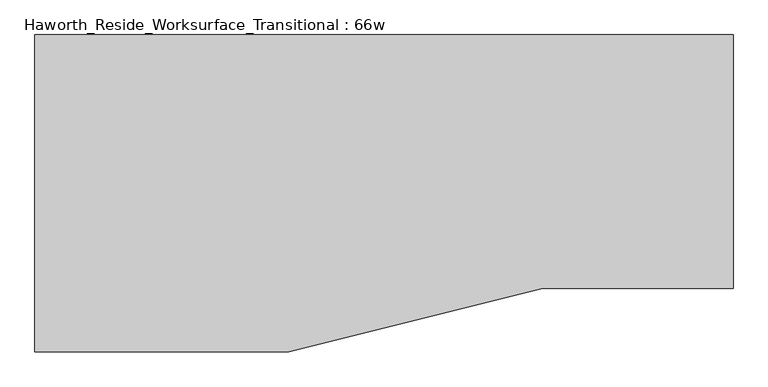
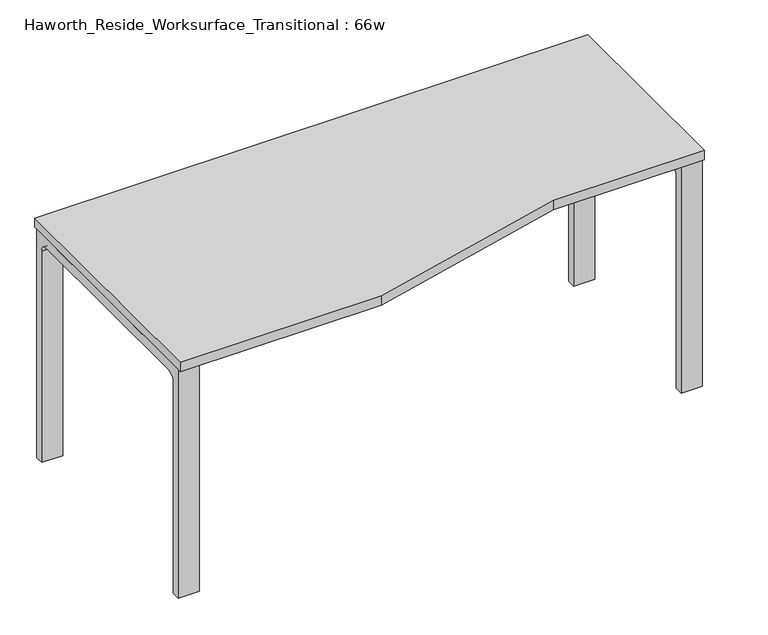
"""IFC4 building model written with IfcOpenShell, lengths in millimetres: furniture geometry, Haworth_Reside_Worksurface_Transitional : 66w."""

from ifc_helpers import new_model, si_unit, point, frame, frame_2d, origin, place, context, project, spatial, polyline, circle_curve, trimmed, segment, composite_curve, outline, extrude, source, transform, mapped, element, save


def haworth_reside_worksurface_transitional_66w_9278c258(model_context):
    return source(origin(), model_context, "Body", "SweptSolid", [
        extrude(outline(composite_curve([segment(trimmed(circle_curve(frame_2d((396.875, 676.275)), 25.4), [point((422.275, 676.275))], [point((396.875, 701.675))], True, "CARTESIAN"), True, "CONTINUOUS"), segment(polyline([(396.875, 701.675), (-92.075, 701.675)]), True, "CONTINUOUS"), segment(trimmed(circle_curve(frame_2d((-92.075, 676.275)), 25.4), [point((-92.075, 701.675))], [point((-117.475, 676.275))], True, "CARTESIAN"), True, "CONTINUOUS"), segment(polyline([(-117.475, 676.275), (-117.475, 0.0), (-142.875, 0.0), (-142.875, 731.8375), (447.675, 731.8375), (447.675, 0.0), (422.275, 0.0), (422.275, 676.275)]), True, "CONTINUOUS")], self_intersect=False)), frame((774.7, 0.0, 0.0), z_axis=(1.0, 0.0, 0.0), x_axis=(0.0, 1.0, 0.0)), (0.0, 0.0, 1.0), 63.5),
        extrude(outline(composite_curve([segment(trimmed(circle_curve(frame_2d((396.875, 676.275)), 25.4), [point((422.275, 676.275))], [point((396.875, 701.675))], True, "CARTESIAN"), True, "CONTINUOUS"), segment(polyline([(396.875, 701.675), (-244.475, 701.675)]), True, "CONTINUOUS"), segment(trimmed(circle_curve(frame_2d((-244.475, 676.275)), 25.4), [point((-244.475, 701.675))], [point((-269.875, 676.275))], True, "CARTESIAN"), True, "CONTINUOUS"), segment(polyline([(-269.875, 676.275), (-269.875, 0.0), (-295.275, 0.0), (-295.275, 731.8375), (447.675, 731.8375), (447.675, 0.0), (422.275, 0.0), (422.275, 676.275)]), True, "CONTINUOUS")], self_intersect=False)), frame((-838.2, 0.0, 0.0), z_axis=(1.0, 0.0, 0.0), x_axis=(0.0, 1.0, 0.0)), (0.0, 0.0, 1.0), 63.5),
        extrude(outline(polyline([(-838.2, 457.2), (838.2, 457.2), (838.2, -152.4), (381.0, -152.4), (-228.6, -304.8), (-838.2, -304.8), (-838.2, 457.2)])), frame((0.0, 0.0, 731.8375), z_axis=(0.0, 0.0, 1.0), x_axis=(1.0, 0.0, 0.0)), (0.0, 0.0, 1.0), 30.1625),
    ])


if __name__ == "__main__":
    model = new_model("IFC4")
    model_context = context("Model", 3, world=origin())
    ifc_project = project(units=[si_unit("LENGTHUNIT", "METRE", prefix="MILLI")], contexts=[model_context])
    site = spatial("IfcSite", under=ifc_project)
    building = spatial("IfcBuilding", under=site)
    placement = place(None, origin())
    haworth_reside_worksurface_transitional_66w_shape = haworth_reside_worksurface_transitional_66w_9278c258(model_context)
    element("IfcFurniture", 1, ObjectType="Haworth_Reside_Worksurface_Transitional : 66w", at=placement, inside=building, context=model_context, shape_type="MappedRepresentation", body=[
        mapped(haworth_reside_worksurface_transitional_66w_shape, transform((0.0, 0.0, 0.0), x_axis=(1.0, 0.0, 0.0), y_axis=(0.0, 1.0, 0.0), z_axis=(0.0, 0.0, 1.0))),
    ])
    save(model, "model.ifc")
